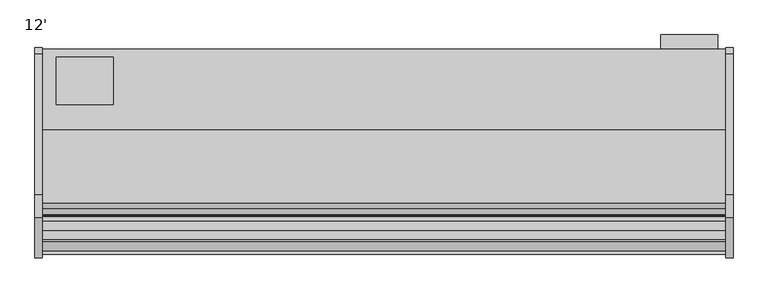
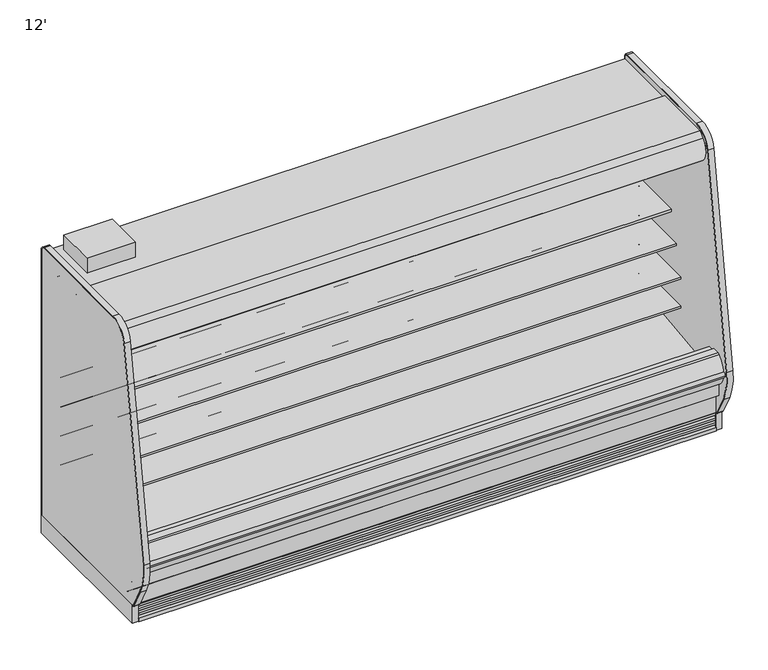
"""IFC4 building model written with IfcOpenShell, lengths in millimetres: proxy geometry, 12'."""

from ifc_helpers import new_model, si_unit, point, frame, frame_2d, origin, origin_with_axes, place, context, project, spatial, polyline, circle_curve, trimmed, segment, composite_curve, outline, extrude, faceted_brep, source, transform, mapped, element, save
from ifc_brep_helpers import plane_surface, revolved_surface, advanced_brep


def proxy_12_0b924ee3(model_context):
    return source(origin(), model_context, "Body", "SolidModel", [
        extrude(outline(polyline([(3612.8493176, -325.3089273), (3612.8493176, -401.5089273), (3308.3920708, -401.5089273), (3308.3920708, -325.3089273), (3612.8493176, -325.3089273)])), frame((0.0, 0.0, 249.9360001), z_axis=(0.0, 0.0, 1.0), x_axis=(1.0, 0.0, 0.0)), (0.0, 0.0, 1.0), 1473.2),
        extrude(outline(polyline([(381.0, -445.9589273), (381.0, -699.9589273), (76.2, -699.9589273), (76.2, -445.9589273), (381.0, -445.9589273)])), frame((0.0, 0.0, 1887.6264001), z_axis=(0.0, 0.0, 1.0), x_axis=(1.0, 0.0, 0.0)), (0.0, 0.0, 1.0), 101.6),
        extrude(outline(composite_curve([segment(trimmed(circle_curve(frame_2d((3409.9390223, -1128.5839273)), 9.525), [point((3400.4140223, -1128.5839273))], [point((3419.4640223, -1128.5839273))], False, "CARTESIAN"), True, "CONTINUOUS"), segment(trimmed(circle_curve(frame_2d((3409.9390223, -1128.5839273)), 9.525), [point((3419.4640223, -1128.5839273))], [point((3400.4140223, -1128.5839273))], False, "CARTESIAN"), True, "CONTINUOUS")], self_intersect=False)), frame((0.0, 0.0, 66.7090149), z_axis=(0.0, 0.0, 1.0), x_axis=(1.0, 0.0, 0.0)), (0.0, 0.0, 1.0), 57.1159851),
        extrude(outline(composite_curve([segment(trimmed(circle_curve(frame_2d((3460.7609777, -1128.5839273)), 12.7), [point((3448.0609777, -1128.5839273))], [point((3473.4609777, -1128.5839273))], False, "CARTESIAN"), True, "CONTINUOUS"), segment(trimmed(circle_curve(frame_2d((3460.7609777, -1128.5839273)), 12.7), [point((3473.4609777, -1128.5839273))], [point((3448.0609777, -1128.5839273))], False, "CARTESIAN"), True, "CONTINUOUS")], self_intersect=False)), frame((0.0, 0.0, 66.7090149), z_axis=(0.0, 0.0, 1.0), x_axis=(1.0, 0.0, 0.0)), (0.0, 0.0, 1.0), 57.1159851),
        extrude(outline(polyline([(-755.1545651, 1783.4415628), (-755.1545651, 1781.6658555), (-767.0608151, 1781.6658555), (-802.7795651, 1757.8533555), (-802.7795651, 1781.6658555), (-823.4170651, 1781.6658555), (-823.4170651, 1723.0879735), (-820.1404345, 1706.9586386), (-821.6961576, 1706.6425977), (-825.0045651, 1722.9283555), (-825.0045651, 1783.4415628), (-755.1545651, 1783.4415628)])), frame((0.0, 0.0, 0.0), z_axis=(1.0, 0.0, 0.0), x_axis=(0.0, 1.0, 0.0)), (0.0, 0.0, 1.0), 3657.6),
        extrude(outline(composite_curve([segment(trimmed(circle_curve(frame_2d((-775.117495, 1753.94528)), 14.2875), [point((-789.404995, 1753.94528))], [point((-760.829995, 1753.94528))], False, "CARTESIAN"), True, "CONTINUOUS"), segment(trimmed(circle_curve(frame_2d((-775.117495, 1753.94528)), 14.2875), [point((-760.829995, 1753.94528))], [point((-789.404995, 1753.94528))], False, "CARTESIAN"), True, "CONTINUOUS")], self_intersect=False)), frame((0.0, 0.0, 0.0), z_axis=(1.0, 0.0, 0.0), x_axis=(0.0, 1.0, 0.0)), (0.0, 0.0, 1.0), 3657.6),
        extrude(outline(composite_curve([segment(polyline([(-504.9331995, 1188.9777893), (-504.9331995, 1113.876763), (-528.313746, 1113.876763)]), True, "CONTINUOUS"), segment(trimmed(circle_curve(frame_2d((-528.7455821, 1139.2730918)), 25.4), [point((-528.313746, 1113.876763))], [point((-544.7229383, 1119.5276091))], False, "CARTESIAN"), True, "CONTINUOUS"), segment(polyline([(-544.7229383, 1119.5276091), (-562.5749995, 1133.9728746)]), True, "CONTINUOUS"), segment(trimmed(circle_curve(frame_2d((-602.5183901, 1084.6091679)), 63.5), [point((-562.5749995, 1133.9728746))], [point((-594.6205089, 1147.6160998))], True, "CARTESIAN"), True, "CONTINUOUS"), segment(polyline([(-594.6205089, 1147.6160998), (-869.1842482, 1171.3132372), (-870.6730247, 1174.7537893), (-911.2738035, 1174.7537893), (-911.2738035, 1188.9777893), (-504.9331995, 1188.9777893)]), True, "CONTINUOUS")], self_intersect=False)), frame((0.0, 0.0, 0.0), z_axis=(1.0, 0.0, 0.0), x_axis=(0.0, 1.0, 0.0)), (0.0, 0.0, 1.0), 3657.6),
        extrude(outline(composite_curve([segment(polyline([(-504.9331995, 990.7659479), (-504.9331995, 915.6649215), (-528.313746, 915.6649215)]), True, "CONTINUOUS"), segment(trimmed(circle_curve(frame_2d((-528.7455821, 941.0612503)), 25.4), [point((-528.313746, 915.6649215))], [point((-544.7229383, 921.3157676))], False, "CARTESIAN"), True, "CONTINUOUS"), segment(polyline([(-544.7229383, 921.3157676), (-562.5749995, 935.7610332)]), True, "CONTINUOUS"), segment(trimmed(circle_curve(frame_2d((-602.5183901, 886.3973264)), 63.5), [point((-562.5749995, 935.7610332))], [point((-594.6205089, 949.4042583))], True, "CARTESIAN"), True, "CONTINUOUS"), segment(polyline([(-594.6205089, 949.4042583), (-869.1842482, 973.1013958), (-870.6730247, 976.5419479), (-962.1331995, 976.5419479), (-962.1331995, 990.7659479), (-504.9331995, 990.7659479)]), True, "CONTINUOUS")], self_intersect=False)), frame((0.0, 0.0, 0.0), z_axis=(1.0, 0.0, 0.0), x_axis=(0.0, 1.0, 0.0)), (0.0, 0.0, 1.0), 3657.6),
        extrude(outline(composite_curve([segment(trimmed(circle_curve(frame_2d((-1161.4667676, 1760.0428978)), 14.2875), [point((-1175.7542676, 1760.0428978))], [point((-1147.1792676, 1760.0428978))], False, "CARTESIAN"), True, "CONTINUOUS"), segment(trimmed(circle_curve(frame_2d((-1161.4667676, 1760.0428978)), 14.2875), [point((-1147.1792676, 1760.0428978))], [point((-1175.7542676, 1760.0428978))], False, "CARTESIAN"), True, "CONTINUOUS")], self_intersect=False)), frame((0.0, 0.0, 0.0), z_axis=(1.0, 0.0, 0.0), x_axis=(0.0, 1.0, 0.0)), (0.0, 0.0, 1.0), 3657.6),
        extrude(outline(composite_curve([segment(trimmed(circle_curve(frame_2d((-1206.5480128, 1760.5691153)), 14.2875), [point((-1220.8355128, 1760.5691153))], [point((-1192.2605128, 1760.5691153))], False, "CARTESIAN"), True, "CONTINUOUS"), segment(trimmed(circle_curve(frame_2d((-1206.5480128, 1760.5691153)), 14.2875), [point((-1192.2605128, 1760.5691153))], [point((-1220.8355128, 1760.5691153))], False, "CARTESIAN"), True, "CONTINUOUS")], self_intersect=False)), frame((0.0, 0.0, 0.0), z_axis=(1.0, 0.0, 0.0), x_axis=(0.0, 1.0, 0.0)), (0.0, 0.0, 1.0), 3657.6),
        extrude(outline(polyline([(744.7751963, -1346.7911816), (435.3523963, -1346.7911816), (435.3523963, -1249.5865659), (744.7751963, -1249.5865659), (744.7751963, -1346.7911816)])), frame((0.0, 0.0, 53.2186364), z_axis=(0.0, 0.0, 1.0), x_axis=(1.0, 0.0, 0.0)), (0.0, 0.0, 1.0), 9.8914),
        faceted_brep([(3657.6, -1207.9589273, 130.175), (3657.6, -1275.0830824, 130.175), (3657.6, -1376.2139578, 211.8249999), (3657.6, -1376.2139578, 10.9768116), (3657.6, -1207.9589273, 10.9768116), (0.0, -1207.9589273, 130.175), (0.0, -1207.9589273, 10.9768116), (0.0, -1376.2139578, 10.9768116), (0.0, -1376.2139578, 211.8249999), (0.0, -1275.0830824, 130.175), (744.7751963, -1346.7911816, 10.9768116), (744.7751963, -1249.5865659, 10.9768116), (435.3523963, -1249.5865659, 10.9768116), (435.3523963, -1346.7911816, 10.9768116), (744.7751963, -1346.7911816, 63.1100364), (435.3523963, -1346.7911816, 63.1100364), (435.3523963, -1249.5865659, 63.1100364), (744.7751963, -1249.5865659, 63.1100364)], [[[0, 1, 2, 3, 4]], [[5, 6, 7, 8, 9]], [[1, 0, 5, 9]], [[2, 1, 9, 8]], [[3, 2, 8, 7]], [[4, 3, 7, 6], [10, 11, 12, 13]], [[0, 4, 6, 5]], [[14, 15, 16, 17]], [[14, 17, 11, 10]], [[17, 16, 12, 11]], [[16, 15, 13, 12]], [[15, 14, 10, 13]]]),
        extrude(outline(composite_curve([segment(trimmed(circle_curve(frame_2d((368.3, 3578.0090336)), 12.7), [point((368.3, 3590.7090336))], [point((368.3, 3565.3090336))], False, "CARTESIAN"), True, "CONTINUOUS"), segment(trimmed(circle_curve(frame_2d((368.3, 3578.0090336)), 12.7), [point((368.3, 3565.3090336))], [point((368.3, 3590.7090336))], False, "CARTESIAN"), True, "CONTINUOUS")], self_intersect=False)), frame((0.0, -447.5561252, 0.0), z_axis=(0.0, 1.0, 0.0), x_axis=(0.0, 0.0, 1.0)), (0.0, 0.0, 1.0), 52.3971979),
        extrude(outline(composite_curve([segment(trimmed(circle_curve(frame_2d((368.3, 3539.5972115)), 9.525), [point((368.3, 3549.1222115))], [point((368.3, 3530.0722115))], False, "CARTESIAN"), True, "CONTINUOUS"), segment(trimmed(circle_curve(frame_2d((368.3, 3539.5972115)), 9.525), [point((368.3, 3530.0722115))], [point((368.3, 3549.1222115))], False, "CARTESIAN"), True, "CONTINUOUS")], self_intersect=False)), frame((0.0, -447.5561252, 0.0), z_axis=(0.0, 1.0, 0.0), x_axis=(0.0, 0.0, 1.0)), (0.0, 0.0, 1.0), 52.3971979),
        extrude(outline(composite_curve([segment(polyline([(-451.7851762, 1837.4360001), (-451.7851762, 404.745884), (-504.9331995, 404.745884), (-504.9331995, 1758.0415628)]), True, "CONTINUOUS"), segment(trimmed(circle_curve(frame_2d((-530.3331995, 1758.0415628)), 25.4), [point((-504.9331995, 1758.0415628))], [point((-530.3331995, 1783.4415628))], True, "CARTESIAN"), True, "CONTINUOUS"), segment(polyline([(-530.3331995, 1783.4415628), (-996.5139611, 1783.4415628), (-996.5139611, 1776.8817932), (-1098.1139599, 1776.8817932), (-1098.1139599, 1837.4360001), (-451.7851762, 1837.4360001)]), True, "CONTINUOUS")], self_intersect=False)), frame((0.0, 0.0, 0.0), z_axis=(1.0, 0.0, 0.0), x_axis=(0.0, 1.0, 0.0)), (0.0, 0.0, 1.0), 3657.6),
        advanced_brep(
        [(3657.6, -1428.7889874, 391.24255), (3657.6, -1428.7889874, 254.2724833), (3657.6, -1275.0830824, 130.175), (3657.6, -401.5089273, 130.175), (3657.6, -401.5089273, 1887.6264001), (3657.6, -1139.2416873, 1887.6264001), (3657.6, -1139.2416873, 1837.4360001), (3657.6, -451.7851762, 1837.4360001), (3657.6, -451.7851762, 363.9695251), (3657.6, -599.5014929, 211.662363), (3657.6, -1043.5931205, 195.6779213), (3657.6, -1096.7050237, 157.095884), (3657.6, -1163.5210307, 157.095884), (3657.6, -1221.5656168, 189.2720563), (3657.6, -1379.2843872, 341.5792153), (3657.6, -1379.2843872, 391.24255), (0.0, -1428.7889874, 391.24255), (0.0, -1379.2843872, 391.24255), (0.0, -1379.2843872, 341.5792153), (0.0, -1221.5656168, 189.2720563), (0.0, -1163.5210307, 157.095884), (0.0, -1096.7050237, 157.095884), (0.0, -1043.5931205, 195.6779213), (0.0, -599.5014929, 211.662363), (0.0, -451.7851762, 363.9695251), (0.0, -451.7851762, 1837.4360001), (0.0, -1139.2416873, 1837.4360001), (0.0, -1139.2416873, 1887.6264001), (0.0, -401.5089273, 1887.6264001), (0.0, -401.5089273, 130.175), (0.0, -1275.0830824, 130.175), (0.0, -1428.7889874, 254.2724833), (3556.0, -401.5089273, 317.5), (3556.0, -401.5089273, 419.1), (3556.0, -447.5561252, 317.5), (3556.0, -447.5561252, 419.1)],
        [
            (0, 1),
            (1, 2),
            (2, 3),
            (3, 4),
            (4, 5),
            (5, 6),
            (6, 7),
            (7, 8),
            (8, 9, circle_curve(frame((3657.6, -605.0132276, 364.7934683), z_axis=(-1.0, 0.0, 0.0), x_axis=(0.0, 1.0, 0.0)), 153.2302667)),
            (9, 10),
            (10, 11),
            (11, 12),
            (12, 13),
            (13, 14, circle_curve(frame((3657.6, -1226.8843872, 341.5792153), z_axis=(-1.0, 0.0, 0.0), x_axis=(0.0, 1.0, 0.0)), 152.4)),
            (14, 15),
            (15, 0),
            (16, 17),
            (17, 18),
            (18, 19, circle_curve(frame((0.0, -1226.8843872, 341.5792153), z_axis=(1.0, 0.0, 0.0), x_axis=(0.0, 1.0, 0.0)), 152.4)),
            (19, 20),
            (20, 21),
            (21, 22),
            (22, 23),
            (23, 24, circle_curve(frame((0.0, -605.0132276, 364.7934683), z_axis=(1.0, 0.0, 0.0), x_axis=(0.0, 1.0, 0.0)), 153.2302667)),
            (24, 25),
            (25, 26),
            (26, 27),
            (27, 28),
            (28, 29),
            (29, 30),
            (30, 31),
            (31, 16),
            (0, 16),
            (31, 1),
            (30, 2),
            (29, 3),
            (28, 4),
            (32, 33, circle_curve(frame((3556.0, -401.5089273, 368.3), z_axis=(0.0, -1.0, 0.0), x_axis=(0.0, 0.0, 1.0)), 50.8)),
            (33, 32, circle_curve(frame((3556.0, -401.5089273, 368.3), z_axis=(0.0, -1.0, 0.0), x_axis=(0.0, 0.0, 1.0)), 50.8)),
            (27, 5),
            (26, 6),
            (25, 7),
            (24, 8),
            (23, 9),
            (22, 10),
            (21, 11),
            (20, 12),
            (19, 13),
            (18, 14),
            (17, 15),
            (34, 35, circle_curve(frame((3556.0, -447.5561252, 368.3), z_axis=(0.0, 1.0, 0.0), x_axis=(0.0, 0.0, 1.0)), 50.8)),
            (35, 34, circle_curve(frame((3556.0, -447.5561252, 368.3), z_axis=(0.0, 1.0, 0.0), x_axis=(0.0, 0.0, 1.0)), 50.8)),
            (35, 33),
            (32, 34),
        ],
        [
            plane_surface(frame((3657.6, -1428.7889874, 254.2724833), z_axis=(1.0, 0.0, 0.0), x_axis=(0.0, 0.0, -1.0))),
            plane_surface(frame((0.0, -1428.7889874, 254.2724833), z_axis=(-1.0, 0.0, 0.0), x_axis=(0.0, 0.0, 1.0))),
            plane_surface(frame((3657.6, -1428.7889874, 391.24255), z_axis=(0.0, -1.0, 0.0), x_axis=(-1.0, 0.0, 0.0))),
            plane_surface(frame((3657.6, -1428.7889874, 254.2724833), z_axis=(0.0, -0.6281851642637378, -0.7780638787393622), x_axis=(-1.0, 0.0, 0.0))),
            plane_surface(frame((3657.6, -1275.0830824, 130.175), z_axis=(0.0, 0.0, -1.0), x_axis=(-1.0, 0.0, 0.0))),
            plane_surface(frame((3657.6, -401.5089273, 130.175), z_axis=(0.0, 1.0, 0.0), x_axis=(-1.0, 0.0, 0.0))),
            plane_surface(frame((3657.6, -401.5089273, 1887.6264001), z_axis=(0.0, 0.0, 1.0), x_axis=(-1.0, 0.0, 0.0))),
            plane_surface(frame((3657.6, -1139.2416873, 1887.6264001), z_axis=(0.0, -1.0, 0.0), x_axis=(-1.0, 0.0, 0.0))),
            plane_surface(frame((3657.6, -1139.2416873, 1837.4360001), z_axis=(0.0, 0.0, -1.0), x_axis=(-1.0, 0.0, 0.0))),
            plane_surface(frame((3657.6, -451.7851762, 1837.4360001), z_axis=(0.0, -1.0, 0.0), x_axis=(-1.0, 0.0, 0.0))),
            revolved_surface(polyline([(0.0, -451.78296090000003, 364.7934683), (3657.6, -451.78296090000003, 364.7934683)]), (0.0, -605.0132276, 364.7934683), (-1.0, 0.0, 0.0)),
            plane_surface(frame((3657.6, -599.5014929, 211.662363), z_axis=(0.0, -0.035970274152171335, 0.9993528602938092), x_axis=(-1.0, 0.0, 0.0))),
            plane_surface(frame((3657.6, -1043.5931205, 195.6779213), z_axis=(0.0, -0.5877252382160976, 0.8090605937529224), x_axis=(-1.0, 0.0, 0.0))),
            plane_surface(frame((3657.6, -1096.7050237, 157.095884), z_axis=(0.0, 0.0, 1.0), x_axis=(-1.0, 0.0, 0.0))),
            plane_surface(frame((3657.6, -1163.5210307, 157.095884), z_axis=(0.0, 0.48482728759131516, 0.8746099137368889), x_axis=(-1.0, 0.0, 0.0))),
            revolved_surface(polyline([(0.0, -1074.4843872, 341.5792153), (3657.6, -1074.4843872, 341.5792153)]), (0.0, -1226.8843872, 341.5792153), (-1.0, 0.0, 0.0)),
            plane_surface(frame((3657.6, -1379.2843872, 341.5792153), z_axis=(0.0, 1.0, 0.0), x_axis=(-1.0, 0.0, 0.0))),
            plane_surface(frame((3657.6, -1379.2843872, 391.24255), z_axis=(0.0, 0.0, 1.0), x_axis=(-1.0, 0.0, 0.0))),
            plane_surface(frame((3556.0, -447.5561252, 419.1), z_axis=(0.0, 1.0, 0.0), x_axis=(-1.0, 0.0, 0.0))),
            revolved_surface(polyline([(3556.0, -447.5561252, 419.1), (3556.0, -401.5089273, 419.1)]), (3556.0, -401.5089273, 368.3), (0.0, -1.0, 0.0)),
        ],
        [
            (0, [[1, 2, 3, 4, 5, 6, 7, 8, 9, 10, 11, 12, 13, 14, 15, 16]]),
            (1, [[17, 18, 19, 20, 21, 22, 23, 24, 25, 26, 27, 28, 29, 30, 31, 32]]),
            (2, [[-1, 33, -32, 34]]),
            (3, [[-2, -34, -31, 35]]),
            (4, [[-3, -35, -30, 36]]),
            (5, [[-4, -36, -29, 37], [38, 39]]),
            (6, [[-5, -37, -28, 40]]),
            (7, [[-6, -40, -27, 41]]),
            (8, [[-7, -41, -26, 42]]),
            (9, [[-8, -42, -25, 43]]),
            (10, [[-9, -43, -24, 44]]),
            (11, [[-10, -44, -23, 45]]),
            (12, [[-11, -45, -22, 46]]),
            (13, [[-12, -46, -21, 47]]),
            (14, [[-13, -47, -20, 48]]),
            (15, [[-14, -48, -19, 49]]),
            (16, [[-15, -49, -18, 50]]),
            (17, [[-16, -50, -17, -33]]),
            (18, [[51, 52]]),
            (19, [[-52, 53, -38, 54]]),
            (19, [[-51, -54, -39, -53]]),
        ],
    ),
        extrude(outline(composite_curve([segment(polyline([(-1324.3309113, 373.0751999), (-1297.0132113, 373.0751999), (-1291.5716401, 375.0168392), (-610.6406734, 456.5929299), (-610.1926758, 450.1862651), (-516.7472923, 456.7206028)]), True, "CONTINUOUS"), segment(trimmed(circle_curve(frame_2d((-517.6331995, 469.3896663)), 12.7), [point((-516.7472923, 456.7206028))], [point((-504.9331995, 469.3896663))], True, "CARTESIAN"), True, "CONTINUOUS"), segment(polyline([(-504.9331995, 469.3896663), (-504.9331995, 404.745884), (-451.7851762, 404.745884), (-451.7851762, 363.9695251)]), True, "CONTINUOUS"), segment(trimmed(circle_curve(frame_2d((-605.0132276, 364.7934683)), 153.2302667), [point((-451.7851762, 363.9695251))], [point((-599.5014929, 211.662363))], False, "CARTESIAN"), True, "CONTINUOUS"), segment(polyline([(-599.5014929, 211.662363), (-1043.5931205, 195.6779213), (-1096.7050237, 157.095884), (-1163.5210307, 157.095884), (-1221.5656168, 189.2720563)]), True, "CONTINUOUS"), segment(trimmed(circle_curve(frame_2d((-1226.8843872, 341.5792153)), 152.4), [point((-1221.5656168, 189.2720563))], [point((-1379.2843872, 341.5792153))], False, "CARTESIAN"), True, "CONTINUOUS"), segment(polyline([(-1379.2843872, 341.5792153), (-1379.2843872, 521.2079999), (-1324.3309113, 521.2079999), (-1324.3309113, 373.0751999)]), True, "CONTINUOUS")], self_intersect=False)), frame((0.0, 0.0, 0.0), z_axis=(1.0, 0.0, 0.0), x_axis=(0.0, 1.0, 0.0)), (0.0, 0.0, 1.0), 3657.6),
        extrude(outline(composite_curve([segment(trimmed(circle_curve(frame_2d((1828.8, -1128.5839273)), 38.1), [point((1790.7, -1128.5839273))], [point((1866.9, -1128.5839273))], False, "CARTESIAN"), True, "CONTINUOUS"), segment(trimmed(circle_curve(frame_2d((1828.8, -1128.5839273)), 38.1), [point((1866.9, -1128.5839273))], [point((1790.7, -1128.5839273))], False, "CARTESIAN"), True, "CONTINUOUS")], self_intersect=False)), frame((0.0, 0.0, 66.7090149), z_axis=(0.0, 0.0, 1.0), x_axis=(1.0, 0.0, 0.0)), (0.0, 0.0, 1.0), 57.1159851),
        advanced_brep(
        [(3657.6, -401.5089273, 0.0), (3657.6, -401.5089273, 130.175), (3657.6, -1207.9589273, 130.175), (3657.6, -1207.9589273, 0.0), (3657.6, -1161.1594273, 0.0), (3657.6, -1161.1594273, 74.8810382), (3657.6, -446.7209273, 74.8810382), (3657.6, -446.7209273, 0.0), (0.0, -401.5089273, 0.0), (0.0, -446.7209273, 0.0), (0.0, -446.7209273, 74.8810382), (0.0, -1161.1594273, 74.8810382), (0.0, -1161.1594273, 0.0), (0.0, -1207.9589273, 0.0), (0.0, -1207.9589273, 130.175), (0.0, -401.5089273, 130.175), (1789.8195331, -1161.1594273, 0.0), (1867.7804669, -1161.1594273, 0.0), (3396.3695331, -1161.1594273, 0.0), (3474.3304669, -1161.1594273, 0.0), (3474.3304669, -1161.1594273, 74.8810382), (1789.8195331, -1161.1594273, 74.8810382), (1867.7804669, -1161.1594273, 74.8810382), (3396.3695331, -1161.1594273, 74.8810382), (3486.15, -1128.5839273, 74.8810382), (3384.55, -1128.5839273, 74.8810382), (1879.6, -1128.5839273, 74.8810382), (1778.0, -1128.5839273, 74.8810382), (1778.0, -1128.5839273, 123.825), (1879.6, -1128.5839273, 123.825), (3384.55, -1128.5839273, 123.825), (3486.15, -1128.5839273, 123.825)],
        [
            (0, 1),
            (1, 2),
            (2, 3),
            (3, 4),
            (4, 5),
            (5, 6),
            (6, 7),
            (7, 0),
            (8, 9),
            (9, 10),
            (10, 11),
            (11, 12),
            (12, 13),
            (13, 14),
            (14, 15),
            (15, 8),
            (0, 8),
            (15, 1),
            (14, 2),
            (13, 3),
            (12, 16),
            (16, 17, circle_curve(frame((1828.8, -1128.5839273, 0.0), z_axis=(0.0, 0.0, 1.0), x_axis=(1.0, 0.0, 0.0)), 50.8)),
            (17, 18),
            (18, 19, circle_curve(frame((3435.35, -1128.5839273, 0.0), z_axis=(0.0, 0.0, 1.0), x_axis=(1.0, 0.0, 0.0)), 50.8)),
            (19, 4),
            (19, 20),
            (20, 5),
            (11, 21),
            (21, 16),
            (17, 22),
            (22, 23),
            (23, 18),
            (20, 24, circle_curve(frame((3435.35, -1128.5839273, 74.8810382), z_axis=(0.0, 0.0, 1.0), x_axis=(1.0, 0.0, 0.0)), 50.8)),
            (24, 25, circle_curve(frame((3435.35, -1128.5839273, 74.8810382), z_axis=(0.0, 0.0, 1.0), x_axis=(1.0, 0.0, 0.0)), 50.8)),
            (25, 23, circle_curve(frame((3435.35, -1128.5839273, 74.8810382), z_axis=(0.0, 0.0, 1.0), x_axis=(1.0, 0.0, 0.0)), 50.8)),
            (22, 26, circle_curve(frame((1828.8, -1128.5839273, 74.8810382), z_axis=(0.0, 0.0, 1.0), x_axis=(1.0, 0.0, 0.0)), 50.8)),
            (26, 27, circle_curve(frame((1828.8, -1128.5839273, 74.8810382), z_axis=(0.0, 0.0, 1.0), x_axis=(1.0, 0.0, 0.0)), 50.8)),
            (27, 21, circle_curve(frame((1828.8, -1128.5839273, 74.8810382), z_axis=(0.0, 0.0, 1.0), x_axis=(1.0, 0.0, 0.0)), 50.8)),
            (10, 6),
            (9, 7),
            (28, 29, circle_curve(frame((1828.8, -1128.5839273, 123.825), z_axis=(0.0, 0.0, -1.0), x_axis=(1.0, 0.0, 0.0)), 50.8)),
            (29, 28, circle_curve(frame((1828.8, -1128.5839273, 123.825), z_axis=(0.0, 0.0, -1.0), x_axis=(1.0, 0.0, 0.0)), 50.8)),
            (29, 26),
            (27, 28),
            (30, 31, circle_curve(frame((3435.35, -1128.5839273, 123.825), z_axis=(0.0, 0.0, -1.0), x_axis=(1.0, 0.0, 0.0)), 50.8)),
            (31, 30, circle_curve(frame((3435.35, -1128.5839273, 123.825), z_axis=(0.0, 0.0, -1.0), x_axis=(1.0, 0.0, 0.0)), 50.8)),
            (31, 24),
            (25, 30),
        ],
        [
            plane_surface(frame((3657.6, -401.5089273, 1893.5715584), z_axis=(1.0, 0.0, 0.0), x_axis=(0.0, 0.0, 1.0))),
            plane_surface(frame((0.0, -401.5089273, 1893.5715584), z_axis=(-1.0, 0.0, 0.0), x_axis=(0.0, 0.0, -1.0))),
            plane_surface(frame((3657.6, -401.5089273, 0.0), z_axis=(0.0, 1.0, 0.0), x_axis=(-1.0, 0.0, 0.0))),
            plane_surface(frame((3657.6, -401.5089273, 130.175), z_axis=(0.0, 0.0, 1.0), x_axis=(-1.0, 0.0, 0.0))),
            plane_surface(frame((3657.6, -1207.9589273, 130.175), z_axis=(0.0, -1.0, 0.0), x_axis=(-1.0, 0.0, 0.0))),
            plane_surface(frame((3657.6, -1207.9589273, 0.0), z_axis=(0.0, 0.0, -1.0), x_axis=(-1.0, 0.0, 0.0))),
            plane_surface(frame((3657.6, -1161.1594273, 0.0), z_axis=(0.0, 1.0, 0.0), x_axis=(-1.0, 0.0, 0.0))),
            plane_surface(frame((3657.6, -1161.1594273, 74.8810382), z_axis=(0.0, 0.0, -1.0), x_axis=(-1.0, 0.0, 0.0))),
            plane_surface(frame((3657.6, -446.7209273, 74.8810382), z_axis=(0.0, -1.0, 0.0), x_axis=(-1.0, 0.0, 0.0))),
            plane_surface(frame((3657.6, -446.7209273, 0.0), z_axis=(0.0, 0.0, -1.0), x_axis=(-1.0, 0.0, 0.0))),
            plane_surface(frame((1879.6, -1128.5839273, 123.825), z_axis=(0.0, 0.0, -1.0), x_axis=(0.0, 1.0, 0.0))),
            revolved_surface(polyline([(1879.6, -1128.5839273, 123.825), (1879.6, -1128.5839273, 0.0)]), (1828.8, -1128.5839273, 0.0), (0.0, 0.0, 1.0)),
            revolved_surface(polyline([(1879.6, -1128.5839273, 123.825), (1879.6, -1128.5839273, 74.8810382)]), (1828.8, -1128.5839273, 0.0), (0.0, 0.0, 1.0)),
            plane_surface(frame((3486.15, -1128.5839273, 123.825), z_axis=(0.0, 0.0, -1.0), x_axis=(0.0, 1.0, 0.0))),
            revolved_surface(polyline([(3486.15, -1128.5839273, 123.825), (3486.15, -1128.5839273, 0.0)]), (3435.35, -1128.5839273, 0.0), (0.0, 0.0, 1.0)),
            revolved_surface(polyline([(3486.15, -1128.5839273, 123.825), (3486.15, -1128.5839273, 74.8810382)]), (3435.35, -1128.5839273, 0.0), (0.0, 0.0, 1.0)),
        ],
        [
            (0, [[1, 2, 3, 4, 5, 6, 7, 8]]),
            (1, [[9, 10, 11, 12, 13, 14, 15, 16]]),
            (2, [[-1, 17, -16, 18]]),
            (3, [[-2, -18, -15, 19]]),
            (4, [[-3, -19, -14, 20]]),
            (5, [[-4, -20, -13, 21, 22, 23, 24, 25]]),
            (6, [[-5, -25, 26, 27]]),
            (6, [[-12, 28, 29, -21]]),
            (6, [[30, 31, 32, -23]]),
            (7, [[-6, -27, 33, 34, 35, -31, 36, 37, 38, -28, -11, 39]]),
            (8, [[-7, -39, -10, 40]]),
            (9, [[-8, -40, -9, -17]]),
            (10, [[41, 42]]),
            (11, [[-42, 43, -36, -30, -22, -29, -38, 44]]),
            (12, [[-41, -44, -37, -43]]),
            (13, [[45, 46]]),
            (14, [[-46, 47, -33, -26, -24, -32, -35, 48]]),
            (15, [[-45, -48, -34, -47]]),
        ],
    ),
        extrude(outline(polyline([(3657.6, -996.5139611), (3657.6, -1098.1139599), (0.0, -1098.1139599), (0.0, -996.5139611), (3657.6, -996.5139611)])), frame((0.0, 0.0, 1751.481792), z_axis=(0.0, 0.0, 1.0), x_axis=(1.0, 0.0, 0.0)), (0.0, 0.0, 1.0), 25.4000011),
        extrude(outline(composite_curve([segment(polyline([(-834.1197918, 1887.6264001), (-1139.2416873, 1887.6264001), (-1139.2416873, 1837.4360001), (-1098.1139599, 1837.4360001), (-1098.1139599, 1751.481792), (-1102.0441706, 1751.481792), (-1145.2982964, 1778.3902586), (-1229.1846298, 1778.3902586), (-1234.6028577, 1749.0156271), (-1242.6978272, 1742.4581239), (-1244.4566599, 1736.6057625), (-1247.8744356, 1731.2734097)]), True, "CONTINUOUS"), segment(trimmed(circle_curve(frame_2d((-1254.9813118, 1735.8285676)), 8.4413951), [point((-1247.8744356, 1731.2734097))], [point((-1261.3923737, 1730.337171))], False, "CARTESIAN"), True, "CONTINUOUS"), segment(trimmed(circle_curve(frame_2d((-1181.3177231, 1798.9251311)), 105.4336661), [point((-1261.3923737, 1730.337171))], [point((-1254.3783459, 1874.9409409))], False, "CARTESIAN"), True, "CONTINUOUS"), segment(trimmed(circle_curve(frame_2d((-1689.0901415, 2329.2650658)), 628.7962752), [point((-1254.3783459, 1874.9409409))], [point((-1224.995421, 1905.0))], True, "CARTESIAN"), True, "CONTINUOUS"), segment(polyline([(-1224.995421, 1905.0), (-834.1197918, 1905.0), (-834.1197918, 1887.6264001)]), True, "CONTINUOUS")], self_intersect=False)), frame((0.0, 0.0, 0.0), z_axis=(1.0, 0.0, 0.0), x_axis=(0.0, 1.0, 0.0)), (0.0, 0.0, 1.0), 3657.6),
        extrude(outline(polyline([(-524.5538195, 1504.4404382), (-699.0292362, 1749.045951), (-692.6360518, 1751.0180598), (-519.384186, 1508.127902), (-524.5538195, 1504.4404382)])), frame((0.0, 0.0, 0.0), z_axis=(1.0, 0.0, 0.0), x_axis=(0.0, 1.0, 0.0)), (0.0, 0.0, 1.0), 3657.6),
        extrude(outline(composite_curve([segment(polyline([(-504.9331995, 1528.8244166), (-504.9331995, 1490.7251669)]), True, "CONTINUOUS"), segment(trimmed(circle_curve(frame_2d((-507.7906995, 1490.7251669)), 2.8575), [point((-504.9331995, 1490.7251669))], [point((-506.6741853, 1488.0948242))], False, "CARTESIAN"), True, "CONTINUOUS"), segment(polyline([(-506.6741853, 1488.0948242), (-515.7704668, 1484.2336819)]), True, "CONTINUOUS"), segment(trimmed(circle_curve(frame_2d((-516.8869809, 1486.8640245)), 2.8575), [point((-515.7704668, 1484.2336819))], [point((-519.4330321, 1485.5667466))], False, "CARTESIAN"), True, "CONTINUOUS"), segment(polyline([(-519.4330321, 1485.5667466), (-527.3608411, 1501.125948)]), True, "CONTINUOUS"), segment(trimmed(circle_curve(frame_2d((-526.2292629, 1501.7025159)), 1.27), [point((-527.3608411, 1501.125948))], [point((-526.8058308, 1502.8340942))], False, "CARTESIAN"), True, "CONTINUOUS"), segment(polyline([(-526.8058308, 1502.8340942), (-519.384186, 1508.127902), (-507.5996446, 1491.6065843), (-506.2031995, 1490.7251669), (-506.2031995, 1528.8244166), (-504.9331995, 1528.8244166)]), True, "CONTINUOUS")], self_intersect=False)), frame((0.0, 0.0, 0.0), z_axis=(1.0, 0.0, 0.0), x_axis=(0.0, 1.0, 0.0)), (0.0, 0.0, 1.0), 3657.6),
        extrude(outline(composite_curve([segment(polyline([(-697.0188534, 1757.162521), (-692.6360518, 1751.0180598), (-701.6311946, 1748.2433237)]), True, "CONTINUOUS"), segment(trimmed(circle_curve(frame_2d((-702.2914708, 1750.3838079)), 2.2400083), [point((-701.6311946, 1748.2433237))], [point((-703.4764456, 1748.4828943))], False, "CARTESIAN"), True, "CONTINUOUS"), segment(polyline([(-703.4764456, 1748.4828943), (-727.5060675, 1782.1711818), (-743.3810675, 1782.1711818), (-743.3810675, 1783.4411818), (-727.5060675, 1783.4411818)]), True, "CONTINUOUS"), segment(trimmed(circle_curve(frame_2d((-727.5060675, 1782.1711818)), 1.27), [point((-727.5060675, 1783.4411818))], [point((-726.4721408, 1782.9086746))], False, "CARTESIAN"), True, "CONTINUOUS"), segment(polyline([(-726.4721408, 1782.9086746), (-714.3244423, 1765.8782294), (-704.636549, 1772.7885365)]), True, "CONTINUOUS"), segment(trimmed(circle_curve(frame_2d((-703.8990563, 1771.7546097)), 1.27), [point((-704.636549, 1772.7885365))], [point((-702.8651296, 1772.4921025))], False, "CARTESIAN"), True, "CONTINUOUS"), segment(polyline([(-702.8651296, 1772.4921025), (-693.6464701, 1759.5680186), (-697.0188534, 1757.162521)]), True, "CONTINUOUS")], self_intersect=False)), frame((0.0, 0.0, 0.0), z_axis=(1.0, 0.0, 0.0), x_axis=(0.0, 1.0, 0.0)), (0.0, 0.0, 1.0), 3657.6),
        extrude(outline(composite_curve([segment(polyline([(-504.9331995, 603.1377781), (-504.9331995, 528.0367518), (-528.313746, 528.0367518)]), True, "CONTINUOUS"), segment(trimmed(circle_curve(frame_2d((-528.7455821, 553.4330806)), 25.4), [point((-528.313746, 528.0367518))], [point((-544.7229383, 533.6875979))], False, "CARTESIAN"), True, "CONTINUOUS"), segment(polyline([(-544.7229383, 533.6875979), (-562.5749995, 548.1328634)]), True, "CONTINUOUS"), segment(trimmed(circle_curve(frame_2d((-602.5183901, 498.7691567)), 63.5), [point((-562.5749995, 548.1328634))], [point((-594.6205089, 561.7760886))], True, "CARTESIAN"), True, "CONTINUOUS"), segment(polyline([(-594.6205089, 561.7760886), (-869.1842482, 585.473226), (-870.6730247, 588.9137781), (-1012.9331995, 588.9137781), (-1012.9331995, 603.1377781), (-504.9331995, 603.1377781)]), True, "CONTINUOUS")], self_intersect=False)), frame((0.0, 0.0, 0.0), z_axis=(1.0, 0.0, 0.0), x_axis=(0.0, 1.0, 0.0)), (0.0, 0.0, 1.0), 3657.6),
        extrude(outline(composite_curve([segment(polyline([(-504.9331995, 796.951863), (-504.9331995, 721.8508366), (-528.313746, 721.8508366)]), True, "CONTINUOUS"), segment(trimmed(circle_curve(frame_2d((-528.7455821, 747.2471655)), 25.4), [point((-528.313746, 721.8508366))], [point((-544.7229383, 727.5016828))], False, "CARTESIAN"), True, "CONTINUOUS"), segment(polyline([(-544.7229383, 727.5016828), (-562.5749995, 741.9469483)]), True, "CONTINUOUS"), segment(trimmed(circle_curve(frame_2d((-602.5183901, 692.5832415)), 63.5), [point((-562.5749995, 741.9469483))], [point((-594.6205089, 755.5901735))], True, "CARTESIAN"), True, "CONTINUOUS"), segment(polyline([(-594.6205089, 755.5901735), (-869.1842482, 779.2873109), (-870.6730247, 782.727863), (-1012.9331995, 782.727863), (-1012.9331995, 796.951863), (-504.9331995, 796.951863)]), True, "CONTINUOUS")], self_intersect=False)), frame((0.0, 0.0, 0.0), z_axis=(1.0, 0.0, 0.0), x_axis=(0.0, 1.0, 0.0)), (0.0, 0.0, 1.0), 3657.6),
        extrude(outline(composite_curve([segment(trimmed(circle_curve(frame_2d((-1483.1743585, 428.625)), 17.2640772), [point((-1500.4384357, 428.625))], [point((-1465.9102813, 428.625))], False, "CARTESIAN"), True, "CONTINUOUS"), segment(trimmed(circle_curve(frame_2d((-1483.1743585, 428.625)), 17.2640772), [point((-1465.9102813, 428.625))], [point((-1500.4384357, 428.625))], False, "CARTESIAN"), True, "CONTINUOUS")], self_intersect=False)), frame((0.0, 0.0, 0.0), z_axis=(1.0, 0.0, 0.0), x_axis=(0.0, 1.0, 0.0)), (0.0, 0.0, 1.0), 3657.6),
        extrude(outline(composite_curve([segment(polyline([(-1375.5997913, 521.2079999), (-1379.2843872, 521.2079999), (-1379.2843872, 391.24255), (-1428.7889874, 391.24255), (-1428.7889874, 350.0194213), (-1453.2591168, 350.0194213)]), True, "CONTINUOUS"), segment(trimmed(circle_curve(frame_2d((-1358.032609, 434.0486555)), 126.9999999), [point((-1453.2591168, 350.0194213))], [point((-1482.9898477, 411.3619088))], False, "CARTESIAN"), True, "CONTINUOUS"), segment(trimmed(circle_curve(frame_2d((-1483.1743585, 428.625)), 17.2640772), [point((-1482.9898477, 411.3619088))], [point((-1465.9102813, 428.625))], True, "CARTESIAN"), True, "CONTINUOUS"), segment(trimmed(circle_curve(frame_2d((-1483.1743585, 428.625)), 17.2640772), [point((-1465.9102813, 428.625))], [point((-1483.4541442, 445.8868099))], True, "CARTESIAN"), True, "CONTINUOUS"), segment(trimmed(circle_curve(frame_2d((-1311.1712796, 402.089233)), 177.7628003), [point((-1483.4541442, 445.8868099))], [point((-1431.9539384, 532.5160803))], False, "CARTESIAN"), True, "CONTINUOUS"), segment(trimmed(circle_curve(frame_2d((-1421.0971419, 520.7923962)), 15.9785731), [point((-1431.9539384, 532.5160803))], [point((-1421.1927913, 536.770683))], False, "CARTESIAN"), True, "CONTINUOUS"), segment(polyline([(-1421.1927913, 536.770683), (-1375.5997913, 536.770683), (-1375.5997913, 521.2079999)]), True, "CONTINUOUS")], self_intersect=False)), frame((0.0, 0.0, 0.0), z_axis=(1.0, 0.0, 0.0), x_axis=(0.0, 1.0, 0.0)), (0.0, 0.0, 1.0), 3657.6),
        extrude(outline(composite_curve([segment(polyline([(-1398.4856252, 0.0), (-1398.4856252, 21.4794805)]), True, "CONTINUOUS"), segment(trimmed(circle_curve(frame_2d((-1397.9498016, 35.1748572)), 13.7058546), [point((-1398.4856252, 21.4794805))], [point((-1384.8678223, 31.0867934))], True, "CARTESIAN"), True, "CONTINUOUS"), segment(polyline([(-1384.8678223, 31.0867934), (-1381.3787252, 42.2520535), (-1392.0159205, 40.0942307), (-1394.0098205, 40.0942307), (-1394.0098205, 52.7942307)]), True, "CONTINUOUS"), segment(trimmed(circle_curve(frame_2d((-1398.4276882, 66.2963779)), 14.2065314), [point((-1394.0098205, 52.7942307))], [point((-1384.8678223, 62.0589765))], True, "CARTESIAN"), True, "CONTINUOUS"), segment(polyline([(-1384.8678223, 62.0589765), (-1381.3787252, 73.2242366), (-1392.0159205, 71.0664138), (-1394.0098205, 71.0664138), (-1394.0098205, 83.7664138)]), True, "CONTINUOUS"), segment(trimmed(circle_curve(frame_2d((-1398.5000636, 97.3399774)), 14.2969897), [point((-1394.0098205, 83.7664138))], [point((-1384.8678223, 93.0311596))], True, "CARTESIAN"), True, "CONTINUOUS"), segment(polyline([(-1384.8678223, 93.0311596), (-1381.3787252, 104.0699677), (-1392.0159205, 102.0387838), (-1394.0098205, 102.0387838), (-1394.0098205, 114.7387838)]), True, "CONTINUOUS"), segment(trimmed(circle_curve(frame_2d((-1393.4120559, 125.7034438)), 10.9809422), [point((-1394.0098205, 114.7387838))], [point((-1385.6263217, 117.9598377))], True, "CARTESIAN"), True, "CONTINUOUS"), segment(polyline([(-1385.6263217, 117.9598377), (-1385.6263217, 121.5911682), (-1396.0752794, 121.5911682), (-1396.0752794, 227.8604282), (-1376.2139578, 211.8249999), (-1376.2139578, 0.0), (-1398.4856252, 0.0)]), True, "CONTINUOUS")], self_intersect=False)), frame((0.0, 0.0, 0.0), z_axis=(1.0, 0.0, 0.0), x_axis=(0.0, 1.0, 0.0)), (0.0, 0.0, 1.0), 3657.6),
        extrude(outline(composite_curve([segment(polyline([(-401.5089273, 123.825), (-1398.1411098, 123.825)]), True, "CONTINUOUS"), segment(trimmed(circle_curve(frame_2d((-1398.1411098, 131.2778251)), 7.4528251), [point((-1398.1411098, 123.825))], [point((-1404.7404092, 127.8146114))], False, "CARTESIAN"), True, "CONTINUOUS"), segment(polyline([(-1404.7404092, 127.8146114), (-1476.0320497, 263.6638308)]), True, "CONTINUOUS"), segment(trimmed(circle_curve(frame_2d((-1178.0250273, 420.0534632)), 336.55), [point((-1476.0320497, 263.6638308))], [point((-1511.8709177, 462.6307339))], False, "CARTESIAN"), True, "CONTINUOUS"), segment(polyline([(-1511.8709177, 462.6307339), (-1300.2300649, 1822.743035)]), True, "CONTINUOUS"), segment(trimmed(circle_curve(frame_2d((-1181.014716, 1804.19248)), 120.65), [point((-1300.2300649, 1822.743035))], [point((-1181.014716, 1924.84248))], False, "CARTESIAN"), True, "CONTINUOUS"), segment(polyline([(-1181.014716, 1924.84248), (-426.9089273, 1924.84248)]), True, "CONTINUOUS"), segment(trimmed(circle_curve(frame_2d((-426.9089273, 1899.44248)), 25.4), [point((-426.9089273, 1924.84248))], [point((-401.5089273, 1899.44248))], False, "CARTESIAN"), True, "CONTINUOUS"), segment(polyline([(-401.5089273, 1899.44248), (-401.5089273, 123.825)]), True, "CONTINUOUS")], self_intersect=False)), frame((3657.6, 0.0, 0.0), z_axis=(1.0, 0.0, 0.0), x_axis=(0.0, 1.0, 0.0)), (0.0, 0.0, 1.0), 38.1),
        extrude(outline(composite_curve([segment(polyline([(-401.5089273, 123.825), (-401.5089273, 1899.44248)]), True, "CONTINUOUS"), segment(trimmed(circle_curve(frame_2d((-426.9089273, 1899.44248)), 25.4), [point((-401.5089273, 1899.44248))], [point((-426.9089273, 1924.84248))], True, "CARTESIAN"), True, "CONTINUOUS"), segment(polyline([(-426.9089273, 1924.84248), (-1181.014716, 1924.84248)]), True, "CONTINUOUS"), segment(trimmed(circle_curve(frame_2d((-1181.014716, 1804.19248)), 120.65), [point((-1181.014716, 1924.84248))], [point((-1300.2300649, 1822.743035))], True, "CARTESIAN"), True, "CONTINUOUS"), segment(polyline([(-1300.2300649, 1822.743035), (-1511.8709177, 462.6307339)]), True, "CONTINUOUS"), segment(trimmed(circle_curve(frame_2d((-1178.0250273, 420.0534632)), 336.55), [point((-1511.8709177, 462.6307339))], [point((-1476.0320497, 263.6638308))], True, "CARTESIAN"), True, "CONTINUOUS"), segment(polyline([(-1476.0320497, 263.6638308), (-1404.7404092, 127.8146114)]), True, "CONTINUOUS"), segment(trimmed(circle_curve(frame_2d((-1398.1411098, 131.2778251)), 7.4528251), [point((-1404.7404092, 127.8146114))], [point((-1398.1411098, 123.825))], True, "CARTESIAN"), True, "CONTINUOUS"), segment(polyline([(-1398.1411098, 123.825), (-1398.1411098, 117.475)]), True, "CONTINUOUS"), segment(trimmed(circle_curve(frame_2d((-1398.1411098, 131.2778251)), 13.8028251), [point((-1398.1411098, 117.475))], [point((-1410.3631833, 124.8638636))], False, "CARTESIAN"), True, "CONTINUOUS"), segment(polyline([(-1410.3631833, 124.8638636), (-1481.6548237, 260.713083)]), True, "CONTINUOUS"), segment(trimmed(circle_curve(frame_2d((-1178.0250273, 420.0534632)), 342.9), [point((-1481.6548237, 260.713083))], [point((-1518.1587806, 463.5211508))], False, "CARTESIAN"), True, "CONTINUOUS"), segment(polyline([(-1518.1587806, 463.5211508), (-1306.5045569, 1823.71938)]), True, "CONTINUOUS"), segment(trimmed(circle_curve(frame_2d((-1181.014716, 1804.19248)), 127.0), [point((-1306.5045569, 1823.71938))], [point((-1181.014716, 1931.19248))], False, "CARTESIAN"), True, "CONTINUOUS"), segment(polyline([(-1181.014716, 1931.19248), (-426.9089273, 1931.19248)]), True, "CONTINUOUS"), segment(trimmed(circle_curve(frame_2d((-426.9089273, 1899.44248)), 31.75), [point((-426.9089273, 1931.19248))], [point((-395.1589273, 1899.44248))], False, "CARTESIAN"), True, "CONTINUOUS"), segment(polyline([(-395.1589273, 1899.44248), (-395.1589273, 123.825), (-401.5089273, 123.825)]), True, "CONTINUOUS")], self_intersect=False)), frame((3657.6, 0.0, 0.0), z_axis=(1.0, 0.0, 0.0), x_axis=(0.0, 1.0, 0.0)), (0.0, 0.0, 1.0), 38.1),
        extrude(outline(polyline([(3695.7, -395.1589273), (3695.7, -1395.2839273), (3657.6, -1395.2839273), (3657.6, -395.1589273), (3695.7, -395.1589273)])), origin_with_axes(), (0.0, 0.0, 1.0), 123.825),
        extrude(outline(composite_curve([segment(polyline([(-401.5089273, 123.825), (-1398.1411098, 123.825)]), True, "CONTINUOUS"), segment(trimmed(circle_curve(frame_2d((-1398.1411098, 131.2778251)), 7.4528251), [point((-1398.1411098, 123.825))], [point((-1404.7404092, 127.8146114))], False, "CARTESIAN"), True, "CONTINUOUS"), segment(polyline([(-1404.7404092, 127.8146114), (-1476.0320497, 263.6638308)]), True, "CONTINUOUS"), segment(trimmed(circle_curve(frame_2d((-1178.0250273, 420.0534632)), 336.55), [point((-1476.0320497, 263.6638308))], [point((-1511.8709177, 462.6307339))], False, "CARTESIAN"), True, "CONTINUOUS"), segment(polyline([(-1511.8709177, 462.6307339), (-1300.2300649, 1822.743035)]), True, "CONTINUOUS"), segment(trimmed(circle_curve(frame_2d((-1181.014716, 1804.19248)), 120.65), [point((-1300.2300649, 1822.743035))], [point((-1181.014716, 1924.84248))], False, "CARTESIAN"), True, "CONTINUOUS"), segment(polyline([(-1181.014716, 1924.84248), (-426.9089273, 1924.84248)]), True, "CONTINUOUS"), segment(trimmed(circle_curve(frame_2d((-426.9089273, 1899.44248)), 25.4), [point((-426.9089273, 1924.84248))], [point((-401.5089273, 1899.44248))], False, "CARTESIAN"), True, "CONTINUOUS"), segment(polyline([(-401.5089273, 1899.44248), (-401.5089273, 123.825)]), True, "CONTINUOUS")], self_intersect=False)), frame((-38.1, 0.0, 0.0), z_axis=(1.0, 0.0, 0.0), x_axis=(0.0, 1.0, 0.0)), (0.0, 0.0, 1.0), 38.1),
        extrude(outline(composite_curve([segment(polyline([(-401.5089273, 123.825), (-401.5089273, 1899.44248)]), True, "CONTINUOUS"), segment(trimmed(circle_curve(frame_2d((-426.9089273, 1899.44248)), 25.4), [point((-401.5089273, 1899.44248))], [point((-426.9089273, 1924.84248))], True, "CARTESIAN"), True, "CONTINUOUS"), segment(polyline([(-426.9089273, 1924.84248), (-1181.014716, 1924.84248)]), True, "CONTINUOUS"), segment(trimmed(circle_curve(frame_2d((-1181.014716, 1804.19248)), 120.65), [point((-1181.014716, 1924.84248))], [point((-1300.2300649, 1822.743035))], True, "CARTESIAN"), True, "CONTINUOUS"), segment(polyline([(-1300.2300649, 1822.743035), (-1511.8709177, 462.6307339)]), True, "CONTINUOUS"), segment(trimmed(circle_curve(frame_2d((-1178.0250273, 420.0534632)), 336.55), [point((-1511.8709177, 462.6307339))], [point((-1476.0320497, 263.6638308))], True, "CARTESIAN"), True, "CONTINUOUS"), segment(polyline([(-1476.0320497, 263.6638308), (-1404.7404092, 127.8146114)]), True, "CONTINUOUS"), segment(trimmed(circle_curve(frame_2d((-1398.1411098, 131.2778251)), 7.4528251), [point((-1404.7404092, 127.8146114))], [point((-1398.1411098, 123.825))], True, "CARTESIAN"), True, "CONTINUOUS"), segment(polyline([(-1398.1411098, 123.825), (-1398.1411098, 117.475)]), True, "CONTINUOUS"), segment(trimmed(circle_curve(frame_2d((-1398.1411098, 131.2778251)), 13.8028251), [point((-1398.1411098, 117.475))], [point((-1410.3631833, 124.8638636))], False, "CARTESIAN"), True, "CONTINUOUS"), segment(polyline([(-1410.3631833, 124.8638636), (-1481.6548237, 260.713083)]), True, "CONTINUOUS"), segment(trimmed(circle_curve(frame_2d((-1178.0250273, 420.0534632)), 342.9), [point((-1481.6548237, 260.713083))], [point((-1518.1587806, 463.5211508))], False, "CARTESIAN"), True, "CONTINUOUS"), segment(polyline([(-1518.1587806, 463.5211508), (-1306.5045569, 1823.71938)]), True, "CONTINUOUS"), segment(trimmed(circle_curve(frame_2d((-1181.014716, 1804.19248)), 127.0), [point((-1306.5045569, 1823.71938))], [point((-1181.014716, 1931.19248))], False, "CARTESIAN"), True, "CONTINUOUS"), segment(polyline([(-1181.014716, 1931.19248), (-426.9089273, 1931.19248)]), True, "CONTINUOUS"), segment(trimmed(circle_curve(frame_2d((-426.9089273, 1899.44248)), 31.75), [point((-426.9089273, 1931.19248))], [point((-395.1589273, 1899.44248))], False, "CARTESIAN"), True, "CONTINUOUS"), segment(polyline([(-395.1589273, 1899.44248), (-395.1589273, 123.825), (-401.5089273, 123.825)]), True, "CONTINUOUS")], self_intersect=False)), frame((-38.1, 0.0, 0.0), z_axis=(1.0, 0.0, 0.0), x_axis=(0.0, 1.0, 0.0)), (0.0, 0.0, 1.0), 38.1),
        extrude(outline(polyline([(0.0, -395.1589273), (0.0, -1395.2839273), (-38.1, -1395.2839273), (-38.1, -395.1589273), (0.0, -395.1589273)])), origin_with_axes(), (0.0, 0.0, 1.0), 123.825),
    ])


if __name__ == "__main__":
    model = new_model("IFC4")
    model_context = context("Model", 3, world=origin())
    ifc_project = project(units=[si_unit("LENGTHUNIT", "METRE", prefix="MILLI")], contexts=[model_context])
    site = spatial("IfcSite", under=ifc_project)
    building = spatial("IfcBuilding", under=site)
    placement = place(None, origin())
    proxy_12_shape = proxy_12_0b924ee3(model_context)
    element("IfcBuildingElementProxy", 1, Name="12'", ObjectType="12'", at=placement, inside=building, context=model_context, shape_type="MappedRepresentation", body=[
        mapped(proxy_12_shape, transform((0.0, 0.0, 0.0), x_axis=(1.0, 0.0, 0.0), y_axis=(0.0, 1.0, 0.0), z_axis=(0.0, 0.0, 1.0))),
    ])
    save(model, "model.ifc")
